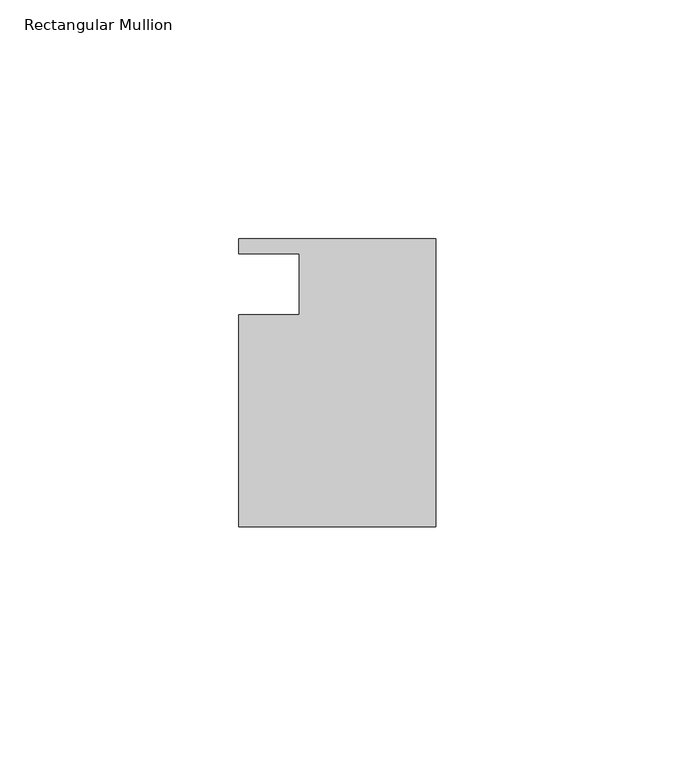
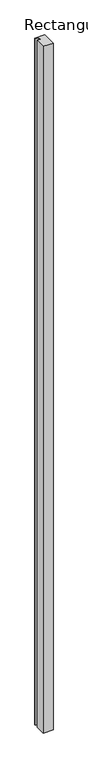
"""IFC4 building model written with IfcOpenShell, lengths in millimetres: member geometry, Rectangular Mullion."""

from ifc_helpers import new_model, si_unit, frame, origin, place, context, project, spatial, polyline, outline, extrude, source, transform, mapped, element, save


def rectangular_mullion_ac581cdd(model_context):
    return source(origin(), model_context, "Body", "SweptSolid", [
        extrude(outline(polyline([(0.0, -30.1625), (-41.275, -30.1625), (-41.275, 14.2875), (-28.575, 14.2875), (-28.575, 26.9875), (-41.275, 26.9875), (-41.275, 30.1625), (0.0, 30.1625), (0.0, -30.1625)])), frame((0.0, 0.0, -3048.0), z_axis=(0.0, 0.0, 1.0), x_axis=(1.0, 0.0, 0.0)), (0.0, 0.0, 1.0), 3048.0),
    ])


if __name__ == "__main__":
    model = new_model("IFC4")
    model_context = context("Model", 3, world=origin())
    ifc_project = project(units=[si_unit("LENGTHUNIT", "METRE", prefix="MILLI")], contexts=[model_context])
    site = spatial("IfcSite", under=ifc_project)
    building = spatial("IfcBuilding", under=site)
    placement = place(None, origin())
    rectangular_mullion_shape = rectangular_mullion_ac581cdd(model_context)
    element("IfcMember", 1, ObjectType="Rectangular Mullion", at=placement, inside=building, context=model_context, shape_type="MappedRepresentation", body=[
        mapped(rectangular_mullion_shape, transform((0.0, 0.0, 0.0), x_axis=(1.0, 0.0, 0.0), y_axis=(0.0, 1.0, 0.0), z_axis=(0.0, 0.0, 1.0))),
    ])
    save(model, "model.ifc")
